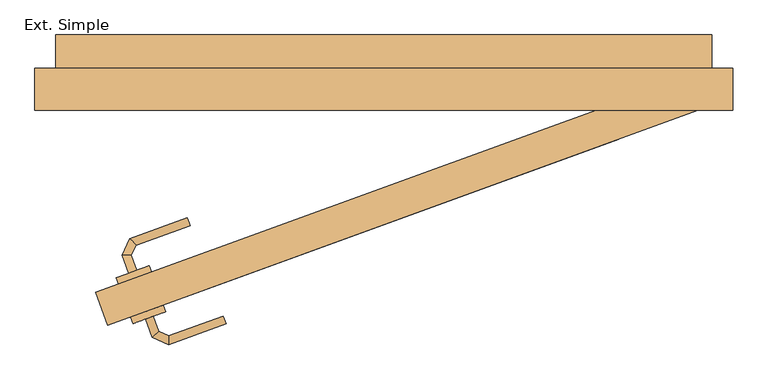
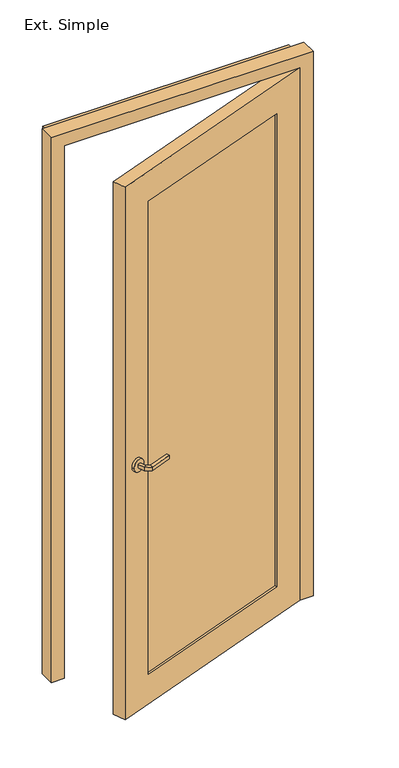
"""IFC4 building model written with IfcOpenShell, lengths in millimetres: door geometry, Ext. Simple."""

from ifc_helpers import new_model, si_unit, point, frame, frame_2d, origin, place, context, project, spatial, circle_curve, ellipse_curve, trimmed, segment, composite_curve, outline, extrude, faceted_brep, source, transform, mapped, element, save
from ifc_brep_helpers import plane_surface, cylinder_surface, advanced_brep


def ext_simple_1582cfb2(model_context):
    return source(origin(), model_context, "Body", "SolidModel", [
        extrude(outline(composite_curve([segment(trimmed(circle_curve(frame_2d((0.0, -25.0)), 25.0), [point((0.0, -50.0))], [point((0.0, 0.0))], False, "CARTESIAN"), True, "CONTINUOUS"), segment(trimmed(circle_curve(frame_2d((0.0, -25.0)), 25.0), [point((0.0, 0.0))], [point((0.0, -50.0))], False, "CARTESIAN"), True, "CONTINUOUS")], self_intersect=False)), frame((-322.4292845, -388.143343, 1000.0), z_axis=(-0.34202014332566827, 0.9396926207859085, 0.0), x_axis=(0.0, 0.0, 1.0)), (0.0, 0.0, 1.0), 10.0),
        extrude(outline(composite_curve([segment(trimmed(circle_curve(frame_2d((0.0, -25.0)), 25.0), [point((0.0, -49.9999999))], [point((0.0, 0.0))], False, "CARTESIAN"), True, "CONTINUOUS"), segment(trimmed(circle_curve(frame_2d((0.0, -25.0)), 25.0), [point((0.0, 0.0))], [point((0.0, -49.9999999))], False, "CARTESIAN"), True, "CONTINUOUS")], self_intersect=False)), frame((-342.9504931, -331.7617858, 1000.0), z_axis=(-0.34202014332566827, 0.9396926207859085, 0.0), x_axis=(0.0, 0.0, 1.0)), (0.0, 0.0, 1.0), 10.0),
        advanced_brep(
        [(-351.5597558, -398.7459675, 1007.0), (-340.2834443, -394.6417257, 1007.0), (-340.2834443, -394.6417257, 993.0), (-351.5597558, -398.7459675, 993.0), (-342.1025736, -424.7293618, 1007.0), (-332.5262948, -415.9543189, 1007.0), (-332.5262948, -415.9543189, 993.0), (-342.1025736, -424.7293618, 993.0), (-318.548269, -435.7129144, 1007.0), (-317.9817096, -422.7365704, 1007.0), (-317.9817096, -422.7365704, 993.0), (-318.548269, -435.7129144, 993.0), (-236.1922634, -405.7377798, 1007.0), (-236.1922634, -405.7377798, 993.0), (-240.2965051, -394.4614683, 993.0), (-240.2965051, -394.4614683, 1007.0)],
        [
            (0, 1, circle_curve(frame((-345.9216, -396.6938466, 986.9542278), z_axis=(-0.3420201433256714, 0.9396926207859077, 0.0), x_axis=(0.9396926207859074, 0.3420201433256713, 0.0)), 20.9244589)),
            (1, 2),
            (2, 3, circle_curve(frame((-345.9216, -396.6938466, 1013.0457722), z_axis=(-0.3420201433256714, 0.9396926207859077, 0.0), x_axis=(0.9396926207859074, 0.3420201433256713, 0.0)), 20.9244589)),
            (3, 0),
            (0, 4),
            (4, 5, ellipse_curve(frame((-337.3144342, -420.3418404, 986.9542278), z_axis=(-0.6755902076156771, 0.7372773368101085, 0.0), x_axis=(0.7372773368101083, 0.6755902076156773, 0.0)), 22.6484711, 20.9244589)),
            (5, 1),
            (5, 6),
            (6, 2),
            (6, 7, ellipse_curve(frame((-337.3144342, -420.3418404, 1013.0457722), z_axis=(-0.6755902076156771, 0.7372773368101085, 0.0), x_axis=(0.7372773368101083, 0.6755902076156773, 0.0)), 22.6484711, 20.9244589)),
            (7, 3),
            (7, 4),
            (4, 8),
            (8, 9, ellipse_curve(frame((-318.2649893, -429.2247424, 986.9542278), z_axis=(-0.9990482215818589, 0.04361938736531306, 0.0), x_axis=(0.0436193873653137, 0.9990482215818588, 0.0)), 22.6484711, 20.9244589)),
            (9, 5),
            (9, 10),
            (10, 6),
            (10, 11, ellipse_curve(frame((-318.2649893, -429.2247424, 1013.0457722), z_axis=(-0.9990482215818589, 0.04361938736531306, 0.0), x_axis=(0.0436193873653137, 0.9990482215818588, 0.0)), 22.6484711, 20.9244589)),
            (11, 7),
            (11, 8),
            (12, 13),
            (13, 14, circle_curve(frame((-238.2443843, -400.099624, 1013.0457722), z_axis=(0.9396926207859077, 0.3420201433256714, 0.0), x_axis=(-0.3420201433256713, 0.9396926207859074, 0.0)), 20.9244589)),
            (14, 15),
            (15, 12, circle_curve(frame((-238.2443843, -400.099624, 986.9542278), z_axis=(0.9396926207859077, 0.3420201433256714, 0.0), x_axis=(-0.3420201433256713, 0.9396926207859074, 0.0)), 20.9244589)),
            (8, 12),
            (15, 9),
            (14, 10),
            (13, 11),
        ],
        [
            plane_surface(frame((-354.5851379, -399.8471165, 1000.0), z_axis=(-0.3420201433256714, 0.9396926207859075, 0.0), x_axis=(0.0, 0.0, -1.0))),
            cylinder_surface(frame((-345.9216, -396.6938466, 986.9542278), z_axis=(-0.3420201433256713, 0.9396926207859074, 0.0), x_axis=(0.9396926207859074, 0.3420201433256713, 0.0)), 20.9244589),
            plane_surface(frame((-340.2834443, -394.6417257, 1007.0), z_axis=(0.9396926207859073, 0.34202014332567165, 0.0), x_axis=(0.34202014332567165, -0.9396926207859073, 0.0))),
            cylinder_surface(frame((-345.9216, -396.6938466, 1013.0457722), z_axis=(-0.3420201433256713, 0.9396926207859074, 0.0), x_axis=(0.9396926207859074, 0.3420201433256713, 0.0)), 20.9244589),
            plane_surface(frame((-351.5597558, -398.7459675, 993.0), z_axis=(-0.9396926207859075, -0.3420201433256714, 0.0), x_axis=(0.3420201433256714, -0.9396926207859075, 0.0))),
            cylinder_surface(frame((-337.3144342, -420.3418404, 986.9542278), z_axis=(-0.9063077870366683, 0.42261826174066036, 0.0), x_axis=(0.42261826174066036, 0.9063077870366683, 0.0)), 20.9244589),
            plane_surface(frame((-332.5262948, -415.9543189, 1007.0), z_axis=(0.42261826174066014, 0.9063077870366684, 0.0), x_axis=(0.9063077870366684, -0.42261826174066014, 0.0))),
            cylinder_surface(frame((-337.3144342, -420.3418404, 1013.0457722), z_axis=(-0.9063077870366683, 0.42261826174066036, 0.0), x_axis=(0.42261826174066036, 0.9063077870366683, 0.0)), 20.9244589),
            plane_surface(frame((-342.1025736, -424.7293618, 993.0), z_axis=(-0.4226182617406604, -0.9063077870366681, 0.0), x_axis=(0.9063077870366681, -0.4226182617406604, 0.0))),
            plane_surface(frame((-238.2443843, -400.099624, 990.7804555), z_axis=(0.9396926207859075, 0.3420201433256714, 0.0), x_axis=(-0.3420201433256714, 0.9396926207859075, 0.0))),
            cylinder_surface(frame((-318.2649893, -429.2247424, 986.9542278), z_axis=(-0.9396926207859074, -0.3420201433256713, 0.0), x_axis=(-0.3420201433256713, 0.9396926207859074, 0.0)), 20.9244589),
            plane_surface(frame((-317.9817096, -422.7365704, 1007.0), z_axis=(-0.3420201433256714, 0.9396926207859075, 0.0), x_axis=(0.9396926207859075, 0.3420201433256714, 0.0))),
            cylinder_surface(frame((-318.2649893, -429.2247424, 1013.0457722), z_axis=(-0.9396926207859074, -0.3420201433256713, 0.0), x_axis=(-0.3420201433256713, 0.9396926207859074, 0.0)), 20.9244589),
            plane_surface(frame((-318.548269, -435.7129144, 993.0), z_axis=(0.3420201433256714, -0.9396926207859075, 0.0), x_axis=(0.9396926207859075, 0.3420201433256714, 0.0))),
        ],
        [
            (0, [[1, 2, 3, 4]]),
            (1, [[-1, 5, 6, 7]]),
            (2, [[-2, -7, 8, 9]]),
            (3, [[-3, -9, 10, 11]]),
            (4, [[-4, -11, 12, -5]]),
            (5, [[-6, 13, 14, 15]]),
            (6, [[-8, -15, 16, 17]]),
            (7, [[-10, -17, 18, 19]]),
            (8, [[-12, -19, 20, -13]]),
            (9, [[21, 22, 23, 24]]),
            (10, [[-14, 25, -24, 26]]),
            (11, [[-16, -26, -23, 27]]),
            (12, [[-18, -27, -22, 28]]),
            (13, [[-20, -28, -21, -25]]),
        ],
    ),
        advanced_brep(
        [(-364.2248543, -328.8632423, 993.0), (-364.2248543, -328.8632423, 1007.0), (-375.5011658, -332.967484, 1007.0), (-375.5011658, -332.967484, 993.0), (-371.9152472, -307.7340615, 993.0), (-371.9152472, -307.7340615, 1007.0), (-384.8915912, -307.1675021, 1007.0), (-384.8915912, -307.1675021, 993.0), (-365.0508106, -293.0132298, 993.0), (-365.0508106, -293.0132298, 1007.0), (-373.8258535, -283.4369509, 1007.0), (-373.8258535, -283.4369509, 993.0), (-287.4693159, -264.775875, 993.0), (-291.5735576, -253.4995635, 993.0), (-291.5735576, -253.4995635, 1007.0), (-287.4693159, -264.775875, 1007.0)],
        [
            (0, 1),
            (1, 2, circle_curve(frame((-369.8630101, -330.9153631, 986.9542278), z_axis=(0.3420201433256714, -0.9396926207859077, 0.0), x_axis=(-0.9396926207859074, -0.3420201433256713, 0.0)), 20.9244589)),
            (2, 3),
            (3, 0, circle_curve(frame((-369.8630101, -330.9153631, 1013.0457722), z_axis=(0.3420201433256714, -0.9396926207859077, 0.0), x_axis=(-0.9396926207859074, -0.3420201433256713, 0.0)), 20.9244589)),
            (0, 4),
            (4, 5),
            (5, 1),
            (5, 6, ellipse_curve(frame((-378.4034192, -307.4507818, 986.9542278), z_axis=(-0.04361938736535328, -0.999048221581857, 0.0), x_axis=(0.9990482215818571, -0.043619387365353264, 0.0)), 22.6484711, 20.9244589)),
            (6, 2),
            (6, 7),
            (7, 3),
            (7, 4, ellipse_curve(frame((-378.4034192, -307.4507818, 1013.0457722), z_axis=(-0.04361938736535328, -0.999048221581857, 0.0), x_axis=(0.9990482215818571, -0.043619387365353264, 0.0)), 22.6484711, 20.9244589)),
            (4, 8),
            (8, 9),
            (9, 5),
            (9, 10, ellipse_curve(frame((-369.4383321, -288.2250904, 986.9542278), z_axis=(-0.7372773368101359, -0.6755902076156475, 0.0), x_axis=(0.6755902076156479, -0.7372773368101355, 0.0)), 22.6484711, 20.9244589)),
            (10, 6),
            (10, 11),
            (11, 7),
            (11, 8, ellipse_curve(frame((-369.4383321, -288.2250904, 1013.0457722), z_axis=(-0.7372773368101359, -0.6755902076156475, 0.0), x_axis=(0.6755902076156479, -0.7372773368101355, 0.0)), 22.6484711, 20.9244589)),
            (12, 13, circle_curve(frame((-289.5214367, -259.1377192, 1013.0457722), z_axis=(0.9396926207859077, 0.3420201433256714, 0.0), x_axis=(-0.3420201433256713, 0.9396926207859074, 0.0)), 20.9244589)),
            (13, 14),
            (14, 15, circle_curve(frame((-289.5214367, -259.1377192, 986.9542278), z_axis=(0.9396926207859077, 0.3420201433256714, 0.0), x_axis=(-0.3420201433256713, 0.9396926207859074, 0.0)), 20.9244589)),
            (15, 12),
            (8, 12),
            (15, 9),
            (14, 10),
            (13, 11),
        ],
        [
            plane_surface(frame((-378.526548, -334.0686331, 1000.0), z_axis=(0.3420201433256714, -0.9396926207859075, 0.0), x_axis=(0.0, 0.0, 1.0))),
            plane_surface(frame((-364.2248543, -328.8632423, 993.0), z_axis=(0.9396926207859075, 0.3420201433256714, 0.0), x_axis=(-0.3420201433256714, 0.9396926207859075, 0.0))),
            cylinder_surface(frame((-369.8630101, -330.9153631, 986.9542278), z_axis=(0.3420201433256713, -0.9396926207859074, 0.0), x_axis=(-0.9396926207859074, -0.3420201433256713, 0.0)), 20.9244589),
            plane_surface(frame((-375.5011658, -332.967484, 1007.0), z_axis=(-0.9396926207859075, -0.3420201433256714, 0.0), x_axis=(-0.3420201433256714, 0.9396926207859075, 0.0))),
            cylinder_surface(frame((-369.8630101, -330.9153631, 1013.0457722), z_axis=(0.3420201433256713, -0.9396926207859074, 0.0), x_axis=(-0.9396926207859074, -0.3420201433256713, 0.0)), 20.9244589),
            plane_surface(frame((-371.9152472, -307.7340615, 993.0), z_axis=(0.9063077870366343, -0.42261826174073325, 0.0), x_axis=(0.42261826174073325, 0.9063077870366343, 0.0))),
            cylinder_surface(frame((-378.4034192, -307.4507818, 986.9542278), z_axis=(-0.42261826174073325, -0.9063077870366341, 0.0), x_axis=(-0.9063077870366341, 0.42261826174073325, 0.0)), 20.9244589),
            plane_surface(frame((-384.8915912, -307.1675021, 1007.0), z_axis=(-0.9063077870366342, 0.42261826174073336, 0.0), x_axis=(0.42261826174073336, 0.9063077870366342, 0.0))),
            cylinder_surface(frame((-378.4034192, -307.4507818, 1013.0457722), z_axis=(-0.42261826174073325, -0.9063077870366341, 0.0), x_axis=(-0.9063077870366341, 0.42261826174073325, 0.0)), 20.9244589),
            plane_surface(frame((-289.5214367, -259.1377192, 990.7804555), z_axis=(0.9396926207859075, 0.3420201433256714, 0.0), x_axis=(-0.3420201433256714, 0.9396926207859075, 0.0))),
            plane_surface(frame((-365.0508106, -293.0132298, 993.0), z_axis=(0.3420201433256714, -0.9396926207859075, 0.0), x_axis=(0.9396926207859075, 0.3420201433256714, 0.0))),
            cylinder_surface(frame((-369.4383321, -288.2250904, 986.9542278), z_axis=(-0.9396926207859074, -0.3420201433256713, 0.0), x_axis=(-0.3420201433256713, 0.9396926207859074, 0.0)), 20.9244589),
            plane_surface(frame((-373.8258535, -283.4369509, 1007.0), z_axis=(-0.3420201433256713, 0.9396926207859075, 0.0), x_axis=(0.9396926207859075, 0.3420201433256713, 0.0))),
            cylinder_surface(frame((-369.4383321, -288.2250904, 1013.0457722), z_axis=(-0.9396926207859074, -0.3420201433256713, 0.0), x_axis=(-0.3420201433256713, 0.9396926207859074, 0.0)), 20.9244589),
        ],
        [
            (0, [[1, 2, 3, 4]]),
            (1, [[-1, 5, 6, 7]]),
            (2, [[-2, -7, 8, 9]]),
            (3, [[-3, -9, 10, 11]]),
            (4, [[-4, -11, 12, -5]]),
            (5, [[-6, 13, 14, 15]]),
            (6, [[-8, -15, 16, 17]]),
            (7, [[-10, -17, 18, 19]]),
            (8, [[-12, -19, 20, -13]]),
            (9, [[21, 22, 23, 24]]),
            (10, [[-14, 25, -24, 26]]),
            (11, [[-16, -26, -23, 27]]),
            (12, [[-18, -27, -22, 28]]),
            (13, [[-20, -28, -21, -25]]),
        ],
    ),
        faceted_brep([(-422.8243659, -360.833498, 2150.0), (422.8989928, -53.015369, 2150.0), (422.8989928, -53.015369, 0.0), (-422.8243659, -360.833498, 0.0), (-310.0612514, -319.7910808, 2030.0), (-310.0612514, -319.7910808, 120.0), (310.1358783, -94.0577862, 120.0), (310.1358783, -94.0577862, 2030.0), (-405.7233587, -407.818129, 2150.0), (-405.7233587, -407.818129, 0.0), (440.0, -100.0, 0.0), (440.0, -100.0, 2150.0), (327.2368855, -141.0424172, 2030.0), (327.2368855, -141.0424172, 120.0), (-292.9602442, -366.7757118, 120.0), (-292.9602442, -366.7757118, 2030.0), (324.5007244, -133.5248762, 2030.0), (-295.6964054, -359.2581708, 2030.0), (-295.6964054, -359.2581708, 120.0), (324.5007244, -133.5248762, 120.0), (-307.3250902, -327.3086217, 2030.0), (312.8720395, -101.5753271, 2030.0), (312.8720395, -101.5753271, 120.0), (-307.3250902, -327.3086217, 120.0)], [[[0, 1, 2, 3], [4, 5, 6, 7]], [[8, 9, 10, 11], [12, 13, 14, 15]], [[1, 0, 8, 11]], [[2, 1, 11, 10]], [[3, 2, 10, 9]], [[0, 3, 9, 8]], [[16, 17, 18, 19]], [[16, 19, 13, 12]], [[19, 18, 14, 13]], [[18, 17, 15, 14]], [[17, 16, 12, 15]], [[20, 21, 22, 23]], [[20, 23, 5, 4]], [[23, 22, 6, 5]], [[22, 21, 7, 6]], [[21, 20, 4, 7]]]),
        faceted_brep([(-510.0, -40.0, 0.0), (-480.0, -40.0, 0.0), (-480.0, 8.0, 0.0), (-470.0, 8.0, 0.0), (-470.0, -40.0, 0.0), (-450.0, -40.0, 0.0), (-450.0, -50.0, 0.0), (-460.0, -50.0, 0.0), (-460.0, -100.0, 0.0), (-510.0, -100.0, 0.0), (-510.0, -40.0, 2200.0), (490.0, -40.0, 2200.0), (490.0, -40.0, 0.0), (460.0, -40.0, 0.0), (460.0, -40.0, 2170.0), (-480.0, -40.0, 2170.0), (-480.0, 8.0, 2170.0), (460.0, 8.0, 2170.0), (460.0, 8.0, 0.0), (450.0, 8.0, 0.0), (450.0, 8.0, 2160.0), (-470.0, 8.0, 2160.0), (-470.0, -40.0, 2160.0), (450.0, -40.0, 2160.0), (450.0, -40.0, 0.0), (430.0, -40.0, 0.0), (430.0, -40.0, 2140.0), (-450.0, -40.0, 2140.0), (-450.0, -50.0, 2140.0), (430.0, -50.0, 2140.0), (430.0, -50.0, 0.0), (440.0, -50.0, 0.0), (440.0, -50.0, 2150.0), (-460.0, -50.0, 2150.0), (-460.0, -100.0, 2150.0), (440.0, -100.0, 2150.0), (440.0, -100.0, 0.0), (490.0, -100.0, 0.0), (490.0, -100.0, 2200.0), (-510.0, -100.0, 2200.0)], [[[0, 1, 2, 3, 4, 5, 6, 7, 8, 9]], [[1, 0, 10, 11, 12, 13, 14, 15]], [[2, 1, 15, 16]], [[3, 2, 16, 17, 18, 19, 20, 21]], [[4, 3, 21, 22]], [[5, 4, 22, 23, 24, 25, 26, 27]], [[6, 5, 27, 28]], [[7, 6, 28, 29, 30, 31, 32, 33]], [[8, 7, 33, 34]], [[9, 8, 34, 35, 36, 37, 38, 39]], [[0, 9, 39, 10]], [[11, 38, 37, 12]], [[12, 37, 36, 31, 30, 25, 24, 19, 18, 13]], [[17, 14, 13, 18]], [[23, 20, 19, 24]], [[29, 26, 25, 30]], [[35, 32, 31, 36]], [[16, 15, 14, 17]], [[22, 21, 20, 23]], [[28, 27, 26, 29]], [[34, 33, 32, 35]], [[10, 39, 38, 11]]]),
    ])


if __name__ == "__main__":
    model = new_model("IFC4")
    model_context = context("Model", 3, world=origin())
    ifc_project = project(units=[si_unit("LENGTHUNIT", "METRE", prefix="MILLI")], contexts=[model_context])
    site = spatial("IfcSite", under=ifc_project)
    building = spatial("IfcBuilding", under=site)
    placement = place(None, origin())
    ext_simple_shape = ext_simple_1582cfb2(model_context)
    element("IfcDoor", 1, ObjectType="Ext. Simple", at=placement, inside=building, context=model_context, shape_type="MappedRepresentation", body=[
        mapped(ext_simple_shape, transform((0.0, 0.0, 0.0), x_axis=(1.0, 0.0, 0.0), y_axis=(0.0, 1.0, 0.0), z_axis=(0.0, 0.0, 1.0))),
    ])
    save(model, "model.ifc")
